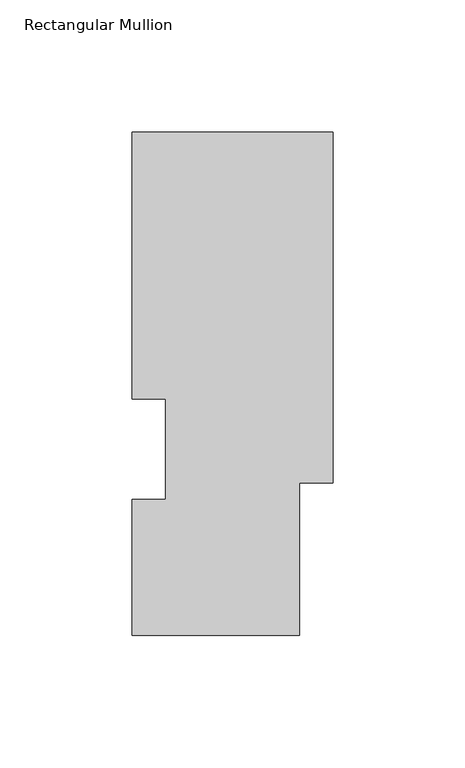
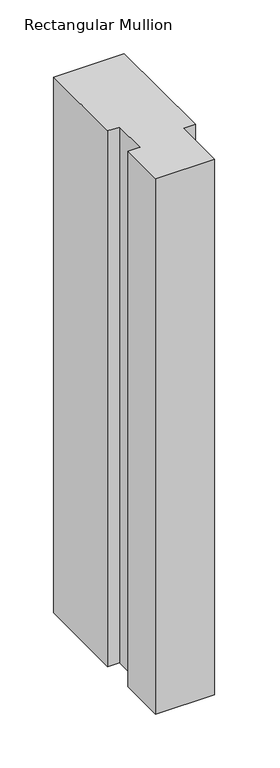
"""IFC4 building model written with IfcOpenShell, lengths in millimetres: member geometry, Rectangular Mullion."""

import ifcopenshell
import ifcopenshell.guid

model = None  # the IFC model being written
_history = None  # IfcOwnerHistory: only IFC2X3 demands one
_inside = {}  # id of a spatial element -> (the spatial element, [elements in it])
_under = {}  # id of a project, library or spatial element -> (it, [spatial elements below it])
_declared = {}  # id of a project -> (the project, [libraries it declares])
_typed = {}  # id of a type object -> (the type object, [elements of that type])
_made_of = {}  # id of a material, layer set ... -> (it, [elements and type objects made of it])


def new_model(schema):
    """Start an empty IFC model of exactly this schema.

    Asked for "IFC4X3", IfcOpenShell would pick the latest addendum, in which some entities
    have other attributes; the version numbers below select the first issue.
    IFC2X3 requires an IfcOwnerHistory on every rooted entity: one is made here for all.
    """
    global model, _history
    if schema == "IFC4X3":
        model = ifcopenshell.file(schema_version=(4, 3, 0, 0))
    else:
        model = ifcopenshell.file(schema=schema)
    _inside.clear()
    _under.clear()
    _declared.clear()
    _typed.clear()
    _made_of.clear()
    _history = None
    if model.schema == "IFC2X3":
        org = make("IfcOrganization", Name="unknown")
        user = make(
            "IfcPersonAndOrganization",
            ThePerson=make("IfcPerson", FamilyName="unknown"),
            TheOrganization=org,
        )
        app = make(
            "IfcApplication",
            ApplicationDeveloper=org,
            Version="unknown",
            ApplicationFullName="unknown",
            ApplicationIdentifier="unknown",
        )
        _history = make(
            "IfcOwnerHistory",
            OwningUser=user,
            OwningApplication=app,
            ChangeAction="ADDED",
            CreationDate=0,
        )
    return model


def make(cls, **values):
    """One entity of the class cls with the attributes given. An attribute that is None is left unset."""
    return model.create_entity(
        cls, **{name: value for name, value in values.items() if value is not None}
    )


def rooted(cls, **values):
    """An entity with a GlobalId (a new one), such as an element, a storey or a relation."""
    return make(cls, GlobalId=ifcopenshell.guid.new(), OwnerHistory=_history, **values)


def si_unit(unit_type, name, prefix=None):
    """IfcSIUnit, for example si_unit("LENGTHUNIT", "METRE", prefix="MILLI")."""
    return make("IfcSIUnit", UnitType=unit_type, Prefix=prefix, Name=name)


def assignment(units):
    """IfcUnitAssignment: the units of a project."""
    return None if units is None else make("IfcUnitAssignment", Units=units)


def point(xyz):
    """IfcCartesianPoint."""
    return None if xyz is None else make("IfcCartesianPoint", Coordinates=xyz)


def direction(xyz):
    """IfcDirection."""
    return None if xyz is None else make("IfcDirection", DirectionRatios=xyz)


def frame(location, z_axis=None, x_axis=None):
    """IfcAxis2Placement3D, a coordinate frame: its origin and axes. An axis left out is left unset."""
    return make(
        "IfcAxis2Placement3D",
        Location=point(location),
        Axis=direction(z_axis),
        RefDirection=direction(x_axis),
    )


def origin():
    """The frame at (0, 0, 0) with its axes left unset."""
    return frame((0.0, 0.0, 0.0))


def place(relative_to, where):
    """IfcLocalPlacement: puts the frame where relative to a parent placement (None: the world)."""
    return make(
        "IfcLocalPlacement", PlacementRelTo=relative_to, RelativePlacement=where
    )


def context(
    kind, dimensions, precision=None, world=None, true_north=None, identifier=None
):
    """IfcGeometricRepresentationContext, for example the 3D "Model" context."""
    return make(
        "IfcGeometricRepresentationContext",
        ContextIdentifier=identifier,
        ContextType=kind,
        CoordinateSpaceDimension=dimensions,
        Precision=precision,
        WorldCoordinateSystem=world,
        TrueNorth=true_north,
    )


def project(units=None, contexts=None):
    """IfcProject with its units and contexts."""
    return rooted(
        "IfcProject",
        Name="project",
        RepresentationContexts=contexts,
        UnitsInContext=assignment(units),
    )


def spatial(cls, under=None, at=None, **own):
    """A site, building, storey or space (cls), placed at a placement, below another one or the project."""
    s = rooted(cls, ObjectPlacement=at, **own)
    if under is not None:
        _under.setdefault(under.id(), (under, []))[1].append(s)
    return s


def polyline(points):
    """IfcPolyline through the points."""
    return make("IfcPolyline", Points=[point(p) for p in points])


def outline(outer, holes=None, kind="AREA"):
    """IfcArbitraryClosedProfileDef: a profile drawn as a closed curve; with holes, ...WithVoids."""
    if holes is None:
        return make("IfcArbitraryClosedProfileDef", ProfileType=kind, OuterCurve=outer)
    return make(
        "IfcArbitraryProfileDefWithVoids",
        ProfileType=kind,
        OuterCurve=outer,
        InnerCurves=holes,
    )


def extrude(swept, where, along, depth):
    """IfcExtrudedAreaSolid: the profile swept, set in the frame where, extruded along a direction by depth."""
    return make(
        "IfcExtrudedAreaSolid",
        SweptArea=swept,
        Position=where,
        ExtrudedDirection=direction(along),
        Depth=depth,
    )


def shape(context_of_items, identifier, shape_type, items):
    """IfcShapeRepresentation: the items that make up one representation, for example the "Body"."""
    return make(
        "IfcShapeRepresentation",
        ContextOfItems=context_of_items,
        RepresentationIdentifier=identifier,
        RepresentationType=shape_type,
        Items=items,
    )


def source(mapping_origin, context_of_items, identifier, shape_type, items):
    """IfcRepresentationMap: a shape defined once, which mapped items show again and again."""
    return make(
        "IfcRepresentationMap",
        MappingOrigin=mapping_origin,
        MappedRepresentation=shape(context_of_items, identifier, shape_type, items),
    )


def transform(
    local_origin,
    x_axis=None,
    y_axis=None,
    z_axis=None,
    scale=None,
    scale2=None,
    scale3=None,
    uniform=True,
):
    """IfcCartesianTransformationOperator3D, or its non-uniform kind. x_axis, y_axis, z_axis: its Axis1, 2, 3."""
    if uniform:
        return make(
            "IfcCartesianTransformationOperator3D",
            Axis1=direction(x_axis),
            Axis2=direction(y_axis),
            LocalOrigin=point(local_origin),
            Scale=scale,
            Axis3=direction(z_axis),
        )
    return make(
        "IfcCartesianTransformationOperator3DnonUniform",
        Axis1=direction(x_axis),
        Axis2=direction(y_axis),
        LocalOrigin=point(local_origin),
        Scale=scale,
        Axis3=direction(z_axis),
        Scale2=scale2,
        Scale3=scale3,
    )


def mapped(mapping_source, mapping_target):
    """IfcMappedItem: shows the shape of a source again, moved by a transform."""
    return make(
        "IfcMappedItem", MappingSource=mapping_source, MappingTarget=mapping_target
    )


def made_of(thing, what):
    """Note that an element or type object is made of a material, layer set ...; save() writes the relation."""
    if what is not None:
        _made_of.setdefault(what.id(), (what, []))[1].append(thing)
    return thing


def element(
    cls,
    number,
    at=None,
    inside=None,
    cuts=None,
    type_object=None,
    material=None,
    context=None,
    identifier="Body",
    shape_type=None,
    held_by="IfcProductDefinitionShape",
    body=None,
    shapes=None,
    **own,
):
    """One element of the class cls, such as IfcWall. Its Tag is "e" and its number.

    at: its placement. inside: the storey or other place that contains it. cuts: it is an
    opening in that element (IfcRelVoidsElement). A single representation is given by context,
    identifier, shape_type and body (its items); several are given by shapes. held_by: the class
    of the entity that holds the representations. save() writes the other relations.
    """
    e = rooted(cls, Tag="e%d" % number, ObjectPlacement=at, **own)
    if body is not None:
        shapes = [shape(context, identifier, shape_type, body)]
    if shapes is not None:
        e.Representation = make(held_by, Representations=shapes)
    if inside is not None:
        _inside.setdefault(inside.id(), (inside, []))[1].append(e)
    if cuts is not None:
        rooted(
            "IfcRelVoidsElement", RelatingBuildingElement=cuts, RelatedOpeningElement=e
        )
    if type_object is not None:
        _typed.setdefault(type_object.id(), (type_object, []))[1].append(e)
    return made_of(e, material)


def aggregate(whole, parts):
    """IfcRelAggregates: a whole, such as a stair, and the parts it consists of."""
    return rooted("IfcRelAggregates", RelatingObject=whole, RelatedObjects=parts)


def save(model, path):
    """Write the relations noted so far, then the file.

    IfcRelAggregates (storeys below a building ...), IfcRelContainedInSpatialStructure (elements
    in a storey), IfcRelDefinesByType, IfcRelAssociatesMaterial and IfcRelDeclares: one each for
    every whole, place, type object, material and project.
    """
    for whole, parts in _under.values():
        aggregate(whole, parts)
    for where, things in _inside.values():
        rooted(
            "IfcRelContainedInSpatialStructure",
            RelatedElements=things,
            RelatingStructure=where,
        )
    for kind, things in _typed.values():
        rooted("IfcRelDefinesByType", RelatedObjects=things, RelatingType=kind)
    for what, things in _made_of.values():
        rooted("IfcRelAssociatesMaterial", RelatedObjects=things, RelatingMaterial=what)
    for by, libraries in _declared.values():
        rooted("IfcRelDeclares", RelatingContext=by, RelatedDefinitions=libraries)
    model.write(path)


def rectangular_mullion_8dc0c04d(model_context):
    return source(origin(), model_context, "Body", "SweptSolid", [
        extrude(outline(polyline([(0.0, 190.7881313), (0.0, 57.8445312), (-12.6999999, 57.8445312), (-12.6999999, 0.041758), (-76.1999999, 0.041758), (-76.1999999, 51.4945313), (-63.5127, 51.4945313), (-63.5127, 89.5945313), (-76.1999999, 89.5945313), (-76.1999999, 190.7881313), (0.0, 190.7881313)])), frame((0.0, 0.0, -609.6), z_axis=(0.0, 0.0, 1.0), x_axis=(1.0, 0.0, 0.0)), (0.0, 0.0, 1.0), 609.6),
    ])


if __name__ == "__main__":
    model = new_model("IFC4")
    model_context = context("Model", 3, world=origin())
    ifc_project = project(units=[si_unit("LENGTHUNIT", "METRE", prefix="MILLI")], contexts=[model_context])
    site = spatial("IfcSite", under=ifc_project)
    building = spatial("IfcBuilding", under=site)
    placement = place(None, origin())
    rectangular_mullion_shape = rectangular_mullion_8dc0c04d(model_context)
    element("IfcMember", 1, ObjectType="Rectangular Mullion", at=placement, inside=building, context=model_context, shape_type="MappedRepresentation", body=[
        mapped(rectangular_mullion_shape, transform((0.0, 0.0, 0.0), x_axis=(1.0, 0.0, 0.0), y_axis=(0.0, 1.0, 0.0), z_axis=(0.0, 0.0, 1.0))),
    ])
    save(model, "model.ifc")
